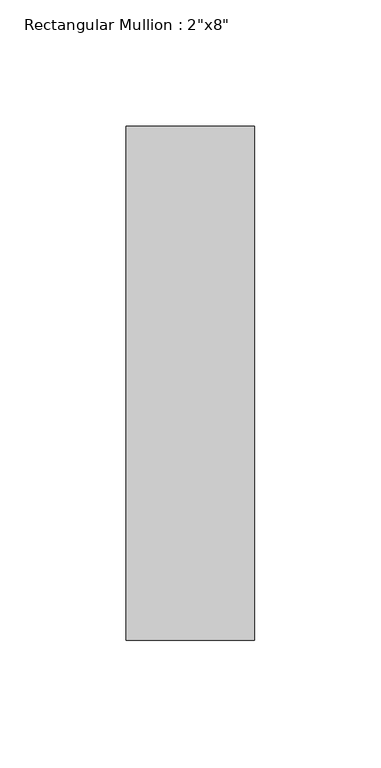
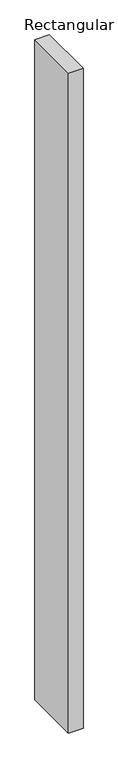
"""IFC4 building model written with IfcOpenShell, lengths in millimetres: member geometry."""

from ifc_helpers import new_model, si_unit, frame, origin, place, context, project, spatial, polyline, outline, extrude, source, transform, mapped, element, save


def member_ce45781e(model_context):
    return source(origin(), model_context, "Body", "SweptSolid", [
        extrude(outline(polyline([(25.4, 101.6), (25.4, -101.6), (-25.4, -101.6), (-25.4, 101.6), (25.4, 101.6)])), frame((0.0, 0.0, -2438.4), z_axis=(0.0, 0.0, 1.0), x_axis=(1.0, 0.0, 0.0)), (0.0, 0.0, 1.0), 2438.4),
    ])


if __name__ == "__main__":
    model = new_model("IFC4")
    model_context = context("Model", 3, world=origin())
    ifc_project = project(units=[si_unit("LENGTHUNIT", "METRE", prefix="MILLI")], contexts=[model_context])
    site = spatial("IfcSite", under=ifc_project)
    building = spatial("IfcBuilding", under=site)
    placement = place(None, origin())
    member_shape = member_ce45781e(model_context)
    element("IfcMember", 1, ObjectType="Rectangular Mullion : 2\"x8\"", at=placement, inside=building, context=model_context, shape_type="MappedRepresentation", body=[
        mapped(member_shape, transform((0.0, 0.0, 0.0), x_axis=(1.0, 0.0, 0.0), y_axis=(0.0, 1.0, 0.0), z_axis=(0.0, 0.0, 1.0))),
    ])
    save(model, "model.ifc")
